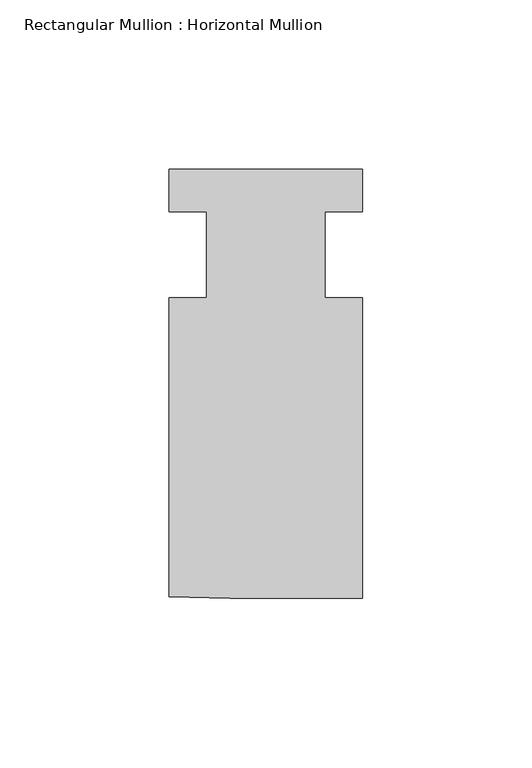
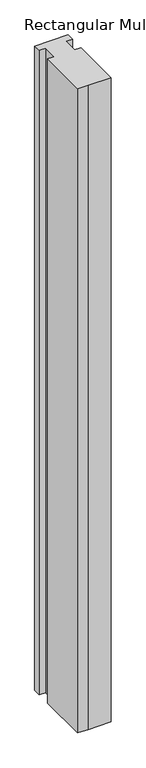
"""IFC4 building model written with IfcOpenShell, lengths in millimetres: member geometry, Rectangular Mullion : Horizontal Mullion."""

import ifcopenshell
import ifcopenshell.guid

model = None  # the IFC model being written
_history = None  # IfcOwnerHistory: only IFC2X3 demands one
_inside = {}  # id of a spatial element -> (the spatial element, [elements in it])
_under = {}  # id of a project, library or spatial element -> (it, [spatial elements below it])
_declared = {}  # id of a project -> (the project, [libraries it declares])
_typed = {}  # id of a type object -> (the type object, [elements of that type])
_made_of = {}  # id of a material, layer set ... -> (it, [elements and type objects made of it])


def new_model(schema):
    """Start an empty IFC model of exactly this schema.

    Asked for "IFC4X3", IfcOpenShell would pick the latest addendum, in which some entities
    have other attributes; the version numbers below select the first issue.
    IFC2X3 requires an IfcOwnerHistory on every rooted entity: one is made here for all.
    """
    global model, _history
    if schema == "IFC4X3":
        model = ifcopenshell.file(schema_version=(4, 3, 0, 0))
    else:
        model = ifcopenshell.file(schema=schema)
    _inside.clear()
    _under.clear()
    _declared.clear()
    _typed.clear()
    _made_of.clear()
    _history = None
    if model.schema == "IFC2X3":
        org = make("IfcOrganization", Name="unknown")
        user = make(
            "IfcPersonAndOrganization",
            ThePerson=make("IfcPerson", FamilyName="unknown"),
            TheOrganization=org,
        )
        app = make(
            "IfcApplication",
            ApplicationDeveloper=org,
            Version="unknown",
            ApplicationFullName="unknown",
            ApplicationIdentifier="unknown",
        )
        _history = make(
            "IfcOwnerHistory",
            OwningUser=user,
            OwningApplication=app,
            ChangeAction="ADDED",
            CreationDate=0,
        )
    return model


def make(cls, **values):
    """One entity of the class cls with the attributes given. An attribute that is None is left unset."""
    return model.create_entity(
        cls, **{name: value for name, value in values.items() if value is not None}
    )


def rooted(cls, **values):
    """An entity with a GlobalId (a new one), such as an element, a storey or a relation."""
    return make(cls, GlobalId=ifcopenshell.guid.new(), OwnerHistory=_history, **values)


def si_unit(unit_type, name, prefix=None):
    """IfcSIUnit, for example si_unit("LENGTHUNIT", "METRE", prefix="MILLI")."""
    return make("IfcSIUnit", UnitType=unit_type, Prefix=prefix, Name=name)


def assignment(units):
    """IfcUnitAssignment: the units of a project."""
    return None if units is None else make("IfcUnitAssignment", Units=units)


def point(xyz):
    """IfcCartesianPoint."""
    return None if xyz is None else make("IfcCartesianPoint", Coordinates=xyz)


def direction(xyz):
    """IfcDirection."""
    return None if xyz is None else make("IfcDirection", DirectionRatios=xyz)


def frame(location, z_axis=None, x_axis=None):
    """IfcAxis2Placement3D, a coordinate frame: its origin and axes. An axis left out is left unset."""
    return make(
        "IfcAxis2Placement3D",
        Location=point(location),
        Axis=direction(z_axis),
        RefDirection=direction(x_axis),
    )


def origin():
    """The frame at (0, 0, 0) with its axes left unset."""
    return frame((0.0, 0.0, 0.0))


def place(relative_to, where):
    """IfcLocalPlacement: puts the frame where relative to a parent placement (None: the world)."""
    return make(
        "IfcLocalPlacement", PlacementRelTo=relative_to, RelativePlacement=where
    )


def context(
    kind, dimensions, precision=None, world=None, true_north=None, identifier=None
):
    """IfcGeometricRepresentationContext, for example the 3D "Model" context."""
    return make(
        "IfcGeometricRepresentationContext",
        ContextIdentifier=identifier,
        ContextType=kind,
        CoordinateSpaceDimension=dimensions,
        Precision=precision,
        WorldCoordinateSystem=world,
        TrueNorth=true_north,
    )


def project(units=None, contexts=None):
    """IfcProject with its units and contexts."""
    return rooted(
        "IfcProject",
        Name="project",
        RepresentationContexts=contexts,
        UnitsInContext=assignment(units),
    )


def spatial(cls, under=None, at=None, **own):
    """A site, building, storey or space (cls), placed at a placement, below another one or the project."""
    s = rooted(cls, ObjectPlacement=at, **own)
    if under is not None:
        _under.setdefault(under.id(), (under, []))[1].append(s)
    return s


def polyline(points):
    """IfcPolyline through the points."""
    return make("IfcPolyline", Points=[point(p) for p in points])


def outline(outer, holes=None, kind="AREA"):
    """IfcArbitraryClosedProfileDef: a profile drawn as a closed curve; with holes, ...WithVoids."""
    if holes is None:
        return make("IfcArbitraryClosedProfileDef", ProfileType=kind, OuterCurve=outer)
    return make(
        "IfcArbitraryProfileDefWithVoids",
        ProfileType=kind,
        OuterCurve=outer,
        InnerCurves=holes,
    )


def extrude(swept, where, along, depth):
    """IfcExtrudedAreaSolid: the profile swept, set in the frame where, extruded along a direction by depth."""
    return make(
        "IfcExtrudedAreaSolid",
        SweptArea=swept,
        Position=where,
        ExtrudedDirection=direction(along),
        Depth=depth,
    )


def shape(context_of_items, identifier, shape_type, items):
    """IfcShapeRepresentation: the items that make up one representation, for example the "Body"."""
    return make(
        "IfcShapeRepresentation",
        ContextOfItems=context_of_items,
        RepresentationIdentifier=identifier,
        RepresentationType=shape_type,
        Items=items,
    )


def source(mapping_origin, context_of_items, identifier, shape_type, items):
    """IfcRepresentationMap: a shape defined once, which mapped items show again and again."""
    return make(
        "IfcRepresentationMap",
        MappingOrigin=mapping_origin,
        MappedRepresentation=shape(context_of_items, identifier, shape_type, items),
    )


def transform(
    local_origin,
    x_axis=None,
    y_axis=None,
    z_axis=None,
    scale=None,
    scale2=None,
    scale3=None,
    uniform=True,
):
    """IfcCartesianTransformationOperator3D, or its non-uniform kind. x_axis, y_axis, z_axis: its Axis1, 2, 3."""
    if uniform:
        return make(
            "IfcCartesianTransformationOperator3D",
            Axis1=direction(x_axis),
            Axis2=direction(y_axis),
            LocalOrigin=point(local_origin),
            Scale=scale,
            Axis3=direction(z_axis),
        )
    return make(
        "IfcCartesianTransformationOperator3DnonUniform",
        Axis1=direction(x_axis),
        Axis2=direction(y_axis),
        LocalOrigin=point(local_origin),
        Scale=scale,
        Axis3=direction(z_axis),
        Scale2=scale2,
        Scale3=scale3,
    )


def mapped(mapping_source, mapping_target):
    """IfcMappedItem: shows the shape of a source again, moved by a transform."""
    return make(
        "IfcMappedItem", MappingSource=mapping_source, MappingTarget=mapping_target
    )


def made_of(thing, what):
    """Note that an element or type object is made of a material, layer set ...; save() writes the relation."""
    if what is not None:
        _made_of.setdefault(what.id(), (what, []))[1].append(thing)
    return thing


def element(
    cls,
    number,
    at=None,
    inside=None,
    cuts=None,
    type_object=None,
    material=None,
    context=None,
    identifier="Body",
    shape_type=None,
    held_by="IfcProductDefinitionShape",
    body=None,
    shapes=None,
    **own,
):
    """One element of the class cls, such as IfcWall. Its Tag is "e" and its number.

    at: its placement. inside: the storey or other place that contains it. cuts: it is an
    opening in that element (IfcRelVoidsElement). A single representation is given by context,
    identifier, shape_type and body (its items); several are given by shapes. held_by: the class
    of the entity that holds the representations. save() writes the other relations.
    """
    e = rooted(cls, Tag="e%d" % number, ObjectPlacement=at, **own)
    if body is not None:
        shapes = [shape(context, identifier, shape_type, body)]
    if shapes is not None:
        e.Representation = make(held_by, Representations=shapes)
    if inside is not None:
        _inside.setdefault(inside.id(), (inside, []))[1].append(e)
    if cuts is not None:
        rooted(
            "IfcRelVoidsElement", RelatingBuildingElement=cuts, RelatedOpeningElement=e
        )
    if type_object is not None:
        _typed.setdefault(type_object.id(), (type_object, []))[1].append(e)
    return made_of(e, material)


def aggregate(whole, parts):
    """IfcRelAggregates: a whole, such as a stair, and the parts it consists of."""
    return rooted("IfcRelAggregates", RelatingObject=whole, RelatedObjects=parts)


def save(model, path):
    """Write the relations noted so far, then the file.

    IfcRelAggregates (storeys below a building ...), IfcRelContainedInSpatialStructure (elements
    in a storey), IfcRelDefinesByType, IfcRelAssociatesMaterial and IfcRelDeclares: one each for
    every whole, place, type object, material and project.
    """
    for whole, parts in _under.values():
        aggregate(whole, parts)
    for where, things in _inside.values():
        rooted(
            "IfcRelContainedInSpatialStructure",
            RelatedElements=things,
            RelatingStructure=where,
        )
    for kind, things in _typed.values():
        rooted("IfcRelDefinesByType", RelatedObjects=things, RelatingType=kind)
    for what, things in _made_of.values():
        rooted("IfcRelAssociatesMaterial", RelatedObjects=things, RelatingMaterial=what)
    for by, libraries in _declared.values():
        rooted("IfcRelDeclares", RelatingContext=by, RelatedDefinitions=libraries)
    model.write(path)


def rectangular_mullion_horizontal_mullion_3d8a3eb7(model_context):
    return source(origin(), model_context, "Body", "SweptSolid", [
        extrude(outline(polyline([(-28.575, -12.6087706), (-17.4753315, -12.6087706), (-17.4753315, 12.7912294), (-28.5749344, 12.7912294), (-28.5749344, 25.4), (28.6470478, 25.4), (28.6470478, 12.8031404), (17.5130757, 12.8031404), (17.5130757, -12.5968596), (28.6247774, -12.5968596), (28.6247774, -101.3078034), (-10.4825397, -101.3078034), (-28.575, -100.9846308), (-28.575, -12.6087706)])), frame((0.0, 0.0, -1162.0256284), z_axis=(0.0, 0.0, 1.0), x_axis=(1.0, 0.0, 0.0)), (0.0, 0.0, 1.0), 1162.0256284),
    ])


if __name__ == "__main__":
    model = new_model("IFC4")
    model_context = context("Model", 3, world=origin())
    ifc_project = project(units=[si_unit("LENGTHUNIT", "METRE", prefix="MILLI")], contexts=[model_context])
    site = spatial("IfcSite", under=ifc_project)
    building = spatial("IfcBuilding", under=site)
    placement = place(None, origin())
    rectangular_mullion_horizontal_mullion_shape = rectangular_mullion_horizontal_mullion_3d8a3eb7(model_context)
    element("IfcMember", 1, ObjectType="Rectangular Mullion : Horizontal Mullion", at=placement, inside=building, context=model_context, shape_type="MappedRepresentation", body=[
        mapped(rectangular_mullion_horizontal_mullion_shape, transform((0.0, 0.0, 0.0), x_axis=(1.0, 0.0, 0.0), y_axis=(0.0, 1.0, 0.0), z_axis=(0.0, 0.0, 1.0))),
    ])
    save(model, "model.ifc")
